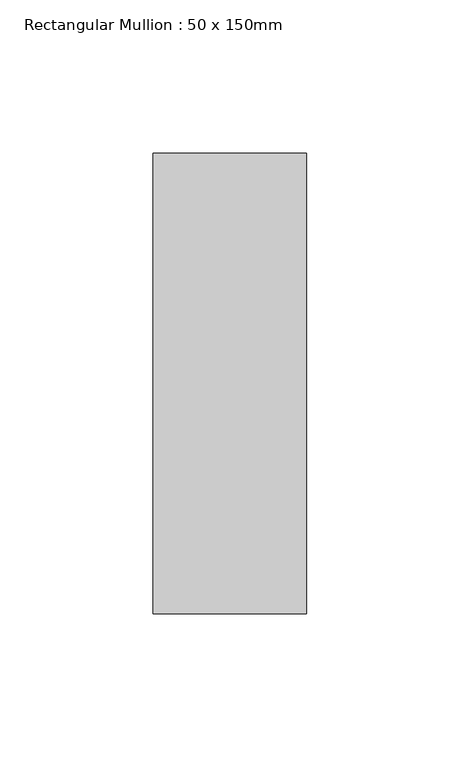
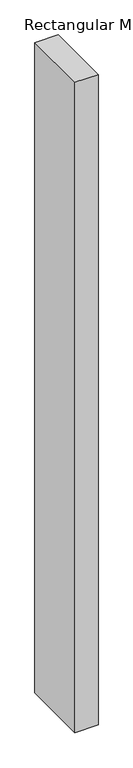
"""IFC4 building model written with IfcOpenShell, lengths in millimetres: member geometry, Rectangular Mullion : 50 x 150mm."""

from ifc_helpers import new_model, si_unit, frame, origin, place, context, project, spatial, polyline, outline, extrude, source, transform, mapped, element, save


def rectangular_mullion_50_x_150mm_fea02a66(model_context):
    return source(origin(), model_context, "Body", "SweptSolid", [
        extrude(outline(polyline([(25.0, 75.0), (25.0, -75.0), (-25.0, -75.0), (-25.0, 75.0), (25.0, 75.0)])), frame((0.0, 0.0, -1489.02512), z_axis=(0.0, 0.0, 1.0), x_axis=(1.0, 0.0, 0.0)), (0.0, 0.0, 1.0), 1489.02512),
    ])


if __name__ == "__main__":
    model = new_model("IFC4")
    model_context = context("Model", 3, world=origin())
    ifc_project = project(units=[si_unit("LENGTHUNIT", "METRE", prefix="MILLI")], contexts=[model_context])
    site = spatial("IfcSite", under=ifc_project)
    building = spatial("IfcBuilding", under=site)
    placement = place(None, origin())
    rectangular_mullion_50_x_150mm_shape = rectangular_mullion_50_x_150mm_fea02a66(model_context)
    element("IfcMember", 1, ObjectType="Rectangular Mullion : 50 x 150mm", at=placement, inside=building, context=model_context, shape_type="MappedRepresentation", body=[
        mapped(rectangular_mullion_50_x_150mm_shape, transform((0.0, 0.0, 0.0), x_axis=(1.0, 0.0, 0.0), y_axis=(0.0, 1.0, 0.0), z_axis=(0.0, 0.0, 1.0))),
    ])
    save(model, "model.ifc")
